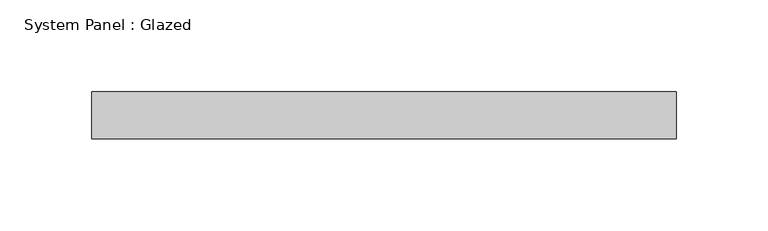
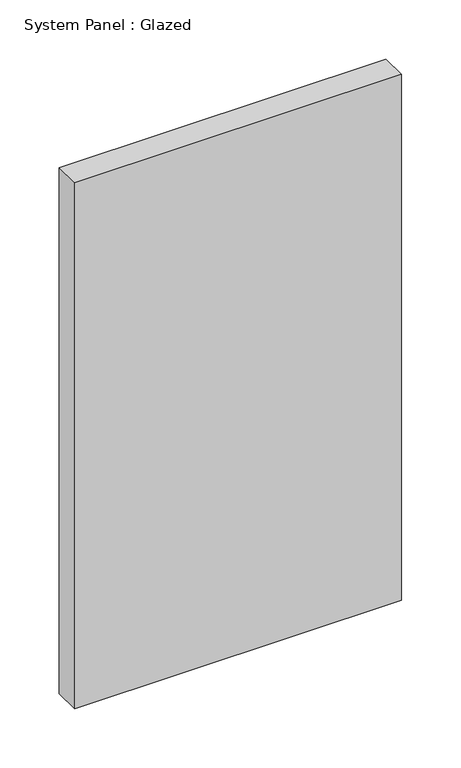
"""IFC4 building model written with IfcOpenShell, lengths in millimetres: plate geometry, System Panel : Glazed."""

from ifc_helpers import new_model, si_unit, origin, origin_with_axes, place, context, project, spatial, polyline, outline, extrude, source, transform, mapped, element, save


def system_panel_glazed_1bbc2a8a(model_context):
    return source(origin(), model_context, "Body", "SweptSolid", [
        extrude(outline(polyline([(158.75, -12.7), (-158.75, -12.7), (-158.75, 12.7), (158.75, 12.7), (158.75, -12.7)])), origin_with_axes(), (0.0, 0.0, 1.0), 539.75),
    ])


if __name__ == "__main__":
    model = new_model("IFC4")
    model_context = context("Model", 3, world=origin())
    ifc_project = project(units=[si_unit("LENGTHUNIT", "METRE", prefix="MILLI")], contexts=[model_context])
    site = spatial("IfcSite", under=ifc_project)
    building = spatial("IfcBuilding", under=site)
    placement = place(None, origin())
    system_panel_glazed_shape = system_panel_glazed_1bbc2a8a(model_context)
    element("IfcPlate", 1, ObjectType="System Panel : Glazed", at=placement, inside=building, context=model_context, shape_type="MappedRepresentation", body=[
        mapped(system_panel_glazed_shape, transform((0.0, 0.0, 0.0), x_axis=(1.0, 0.0, 0.0), y_axis=(0.0, 1.0, 0.0), z_axis=(0.0, 0.0, 1.0))),
    ])
    save(model, "model.ifc")
